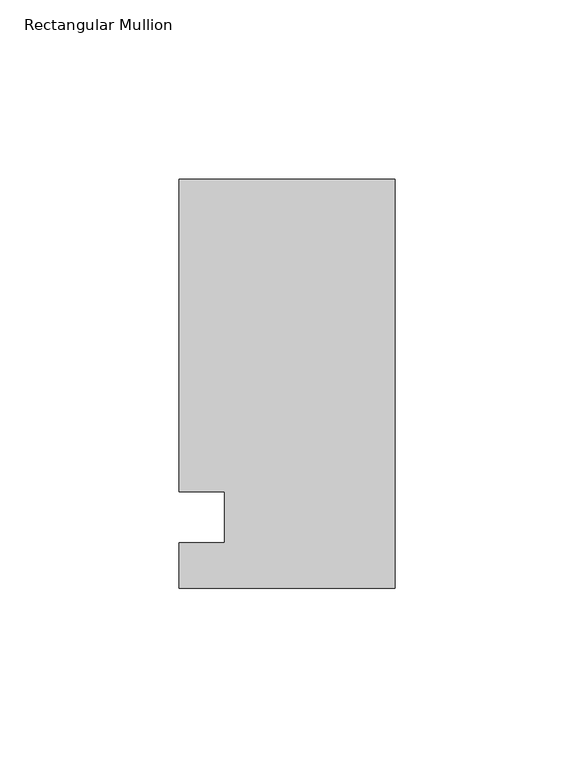
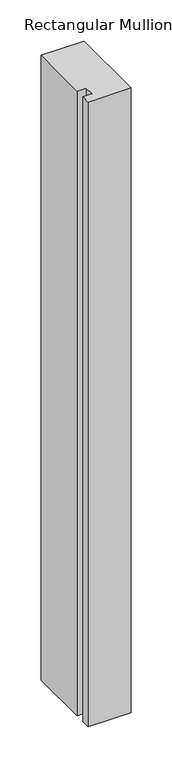
"""IFC4 building model written with IfcOpenShell, lengths in millimetres: member geometry, Rectangular Mullion."""

from ifc_helpers import new_model, si_unit, frame, origin, place, context, project, spatial, polyline, outline, extrude, source, transform, mapped, element, save


def rectangular_mullion_d9afb84e(model_context):
    return source(origin(), model_context, "Body", "SweptSolid", [
        extrude(outline(polyline([(-60.325, 94.45625), (0.0, 94.45625), (0.0, -19.84375), (-60.325, -19.84375), (-60.325, -7.14375), (-47.6232296, -7.14375), (-47.6232296, 7.14375), (-60.325, 7.14375), (-60.325, 94.45625)])), frame((0.0, 0.0, -925.9405973), z_axis=(0.0, 0.0, 1.0), x_axis=(1.0, 0.0, 0.0)), (0.0, 0.0, 1.0), 925.9405973),
    ])


if __name__ == "__main__":
    model = new_model("IFC4")
    model_context = context("Model", 3, world=origin())
    ifc_project = project(units=[si_unit("LENGTHUNIT", "METRE", prefix="MILLI")], contexts=[model_context])
    site = spatial("IfcSite", under=ifc_project)
    building = spatial("IfcBuilding", under=site)
    placement = place(None, origin())
    rectangular_mullion_shape = rectangular_mullion_d9afb84e(model_context)
    element("IfcMember", 1, ObjectType="Rectangular Mullion", at=placement, inside=building, context=model_context, shape_type="MappedRepresentation", body=[
        mapped(rectangular_mullion_shape, transform((0.0, 0.0, 0.0), x_axis=(1.0, 0.0, 0.0), y_axis=(0.0, 1.0, 0.0), z_axis=(0.0, 0.0, 1.0))),
    ])
    save(model, "model.ifc")
